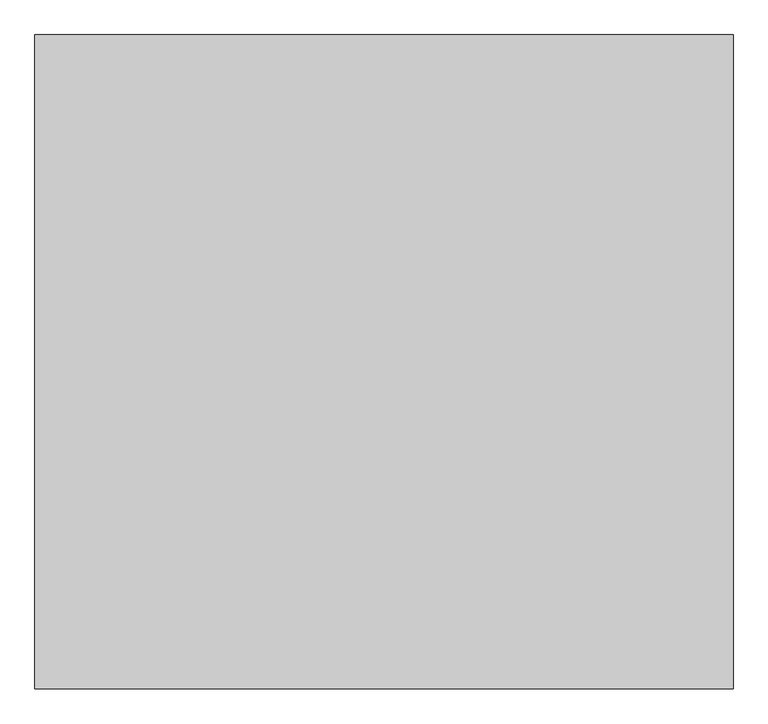
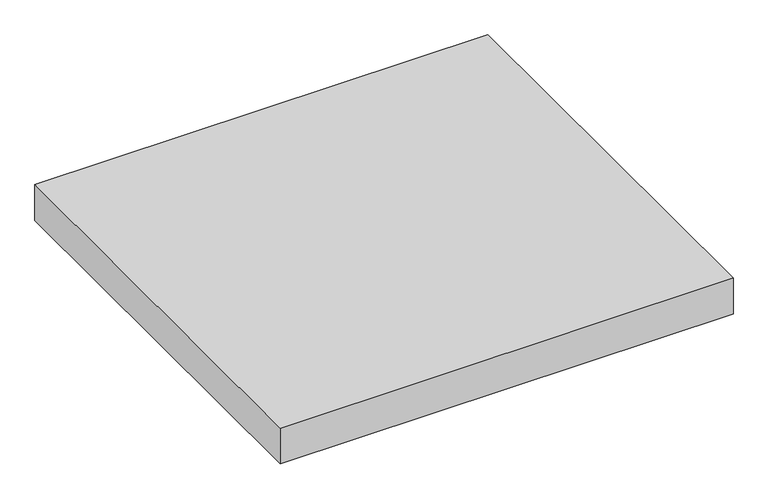
"""IFC4 building model written with IfcOpenShell, lengths in millimetres: geographic element geometry."""

import ifcopenshell
import ifcopenshell.guid

model = None  # the IFC model being written
_history = None  # IfcOwnerHistory: only IFC2X3 demands one
_inside = {}  # id of a spatial element -> (the spatial element, [elements in it])
_under = {}  # id of a project, library or spatial element -> (it, [spatial elements below it])
_declared = {}  # id of a project -> (the project, [libraries it declares])
_typed = {}  # id of a type object -> (the type object, [elements of that type])
_made_of = {}  # id of a material, layer set ... -> (it, [elements and type objects made of it])


def new_model(schema):
    """Start an empty IFC model of exactly this schema.

    Asked for "IFC4X3", IfcOpenShell would pick the latest addendum, in which some entities
    have other attributes; the version numbers below select the first issue.
    IFC2X3 requires an IfcOwnerHistory on every rooted entity: one is made here for all.
    """
    global model, _history
    if schema == "IFC4X3":
        model = ifcopenshell.file(schema_version=(4, 3, 0, 0))
    else:
        model = ifcopenshell.file(schema=schema)
    _inside.clear()
    _under.clear()
    _declared.clear()
    _typed.clear()
    _made_of.clear()
    _history = None
    if model.schema == "IFC2X3":
        org = make("IfcOrganization", Name="unknown")
        user = make(
            "IfcPersonAndOrganization",
            ThePerson=make("IfcPerson", FamilyName="unknown"),
            TheOrganization=org,
        )
        app = make(
            "IfcApplication",
            ApplicationDeveloper=org,
            Version="unknown",
            ApplicationFullName="unknown",
            ApplicationIdentifier="unknown",
        )
        _history = make(
            "IfcOwnerHistory",
            OwningUser=user,
            OwningApplication=app,
            ChangeAction="ADDED",
            CreationDate=0,
        )
    return model


def make(cls, **values):
    """One entity of the class cls with the attributes given. An attribute that is None is left unset."""
    return model.create_entity(
        cls, **{name: value for name, value in values.items() if value is not None}
    )


def rooted(cls, **values):
    """An entity with a GlobalId (a new one), such as an element, a storey or a relation."""
    return make(cls, GlobalId=ifcopenshell.guid.new(), OwnerHistory=_history, **values)


def si_unit(unit_type, name, prefix=None):
    """IfcSIUnit, for example si_unit("LENGTHUNIT", "METRE", prefix="MILLI")."""
    return make("IfcSIUnit", UnitType=unit_type, Prefix=prefix, Name=name)


def assignment(units):
    """IfcUnitAssignment: the units of a project."""
    return None if units is None else make("IfcUnitAssignment", Units=units)


def point(xyz):
    """IfcCartesianPoint."""
    return None if xyz is None else make("IfcCartesianPoint", Coordinates=xyz)


def direction(xyz):
    """IfcDirection."""
    return None if xyz is None else make("IfcDirection", DirectionRatios=xyz)


def frame(location, z_axis=None, x_axis=None):
    """IfcAxis2Placement3D, a coordinate frame: its origin and axes. An axis left out is left unset."""
    return make(
        "IfcAxis2Placement3D",
        Location=point(location),
        Axis=direction(z_axis),
        RefDirection=direction(x_axis),
    )


def origin():
    """The frame at (0, 0, 0) with its axes left unset."""
    return frame((0.0, 0.0, 0.0))


def origin_with_axes():
    """The frame at (0, 0, 0) with the z axis (0, 0, 1) and the x axis (1, 0, 0) written out."""
    return frame((0.0, 0.0, 0.0), z_axis=(0.0, 0.0, 1.0), x_axis=(1.0, 0.0, 0.0))


def place(relative_to, where):
    """IfcLocalPlacement: puts the frame where relative to a parent placement (None: the world)."""
    return make(
        "IfcLocalPlacement", PlacementRelTo=relative_to, RelativePlacement=where
    )


def context(
    kind, dimensions, precision=None, world=None, true_north=None, identifier=None
):
    """IfcGeometricRepresentationContext, for example the 3D "Model" context."""
    return make(
        "IfcGeometricRepresentationContext",
        ContextIdentifier=identifier,
        ContextType=kind,
        CoordinateSpaceDimension=dimensions,
        Precision=precision,
        WorldCoordinateSystem=world,
        TrueNorth=true_north,
    )


def project(units=None, contexts=None):
    """IfcProject with its units and contexts."""
    return rooted(
        "IfcProject",
        Name="project",
        RepresentationContexts=contexts,
        UnitsInContext=assignment(units),
    )


def spatial(cls, under=None, at=None, **own):
    """A site, building, storey or space (cls), placed at a placement, below another one or the project."""
    s = rooted(cls, ObjectPlacement=at, **own)
    if under is not None:
        _under.setdefault(under.id(), (under, []))[1].append(s)
    return s


def polyline(points):
    """IfcPolyline through the points."""
    return make("IfcPolyline", Points=[point(p) for p in points])


def outline(outer, holes=None, kind="AREA"):
    """IfcArbitraryClosedProfileDef: a profile drawn as a closed curve; with holes, ...WithVoids."""
    if holes is None:
        return make("IfcArbitraryClosedProfileDef", ProfileType=kind, OuterCurve=outer)
    return make(
        "IfcArbitraryProfileDefWithVoids",
        ProfileType=kind,
        OuterCurve=outer,
        InnerCurves=holes,
    )


def extrude(swept, where, along, depth):
    """IfcExtrudedAreaSolid: the profile swept, set in the frame where, extruded along a direction by depth."""
    return make(
        "IfcExtrudedAreaSolid",
        SweptArea=swept,
        Position=where,
        ExtrudedDirection=direction(along),
        Depth=depth,
    )


def shape(context_of_items, identifier, shape_type, items):
    """IfcShapeRepresentation: the items that make up one representation, for example the "Body"."""
    return make(
        "IfcShapeRepresentation",
        ContextOfItems=context_of_items,
        RepresentationIdentifier=identifier,
        RepresentationType=shape_type,
        Items=items,
    )


def source(mapping_origin, context_of_items, identifier, shape_type, items):
    """IfcRepresentationMap: a shape defined once, which mapped items show again and again."""
    return make(
        "IfcRepresentationMap",
        MappingOrigin=mapping_origin,
        MappedRepresentation=shape(context_of_items, identifier, shape_type, items),
    )


def transform(
    local_origin,
    x_axis=None,
    y_axis=None,
    z_axis=None,
    scale=None,
    scale2=None,
    scale3=None,
    uniform=True,
):
    """IfcCartesianTransformationOperator3D, or its non-uniform kind. x_axis, y_axis, z_axis: its Axis1, 2, 3."""
    if uniform:
        return make(
            "IfcCartesianTransformationOperator3D",
            Axis1=direction(x_axis),
            Axis2=direction(y_axis),
            LocalOrigin=point(local_origin),
            Scale=scale,
            Axis3=direction(z_axis),
        )
    return make(
        "IfcCartesianTransformationOperator3DnonUniform",
        Axis1=direction(x_axis),
        Axis2=direction(y_axis),
        LocalOrigin=point(local_origin),
        Scale=scale,
        Axis3=direction(z_axis),
        Scale2=scale2,
        Scale3=scale3,
    )


def mapped(mapping_source, mapping_target):
    """IfcMappedItem: shows the shape of a source again, moved by a transform."""
    return make(
        "IfcMappedItem", MappingSource=mapping_source, MappingTarget=mapping_target
    )


def made_of(thing, what):
    """Note that an element or type object is made of a material, layer set ...; save() writes the relation."""
    if what is not None:
        _made_of.setdefault(what.id(), (what, []))[1].append(thing)
    return thing


def element(
    cls,
    number,
    at=None,
    inside=None,
    cuts=None,
    type_object=None,
    material=None,
    context=None,
    identifier="Body",
    shape_type=None,
    held_by="IfcProductDefinitionShape",
    body=None,
    shapes=None,
    **own,
):
    """One element of the class cls, such as IfcWall. Its Tag is "e" and its number.

    at: its placement. inside: the storey or other place that contains it. cuts: it is an
    opening in that element (IfcRelVoidsElement). A single representation is given by context,
    identifier, shape_type and body (its items); several are given by shapes. held_by: the class
    of the entity that holds the representations. save() writes the other relations.
    """
    e = rooted(cls, Tag="e%d" % number, ObjectPlacement=at, **own)
    if body is not None:
        shapes = [shape(context, identifier, shape_type, body)]
    if shapes is not None:
        e.Representation = make(held_by, Representations=shapes)
    if inside is not None:
        _inside.setdefault(inside.id(), (inside, []))[1].append(e)
    if cuts is not None:
        rooted(
            "IfcRelVoidsElement", RelatingBuildingElement=cuts, RelatedOpeningElement=e
        )
    if type_object is not None:
        _typed.setdefault(type_object.id(), (type_object, []))[1].append(e)
    return made_of(e, material)


def aggregate(whole, parts):
    """IfcRelAggregates: a whole, such as a stair, and the parts it consists of."""
    return rooted("IfcRelAggregates", RelatingObject=whole, RelatedObjects=parts)


def save(model, path):
    """Write the relations noted so far, then the file.

    IfcRelAggregates (storeys below a building ...), IfcRelContainedInSpatialStructure (elements
    in a storey), IfcRelDefinesByType, IfcRelAssociatesMaterial and IfcRelDeclares: one each for
    every whole, place, type object, material and project.
    """
    for whole, parts in _under.values():
        aggregate(whole, parts)
    for where, things in _inside.values():
        rooted(
            "IfcRelContainedInSpatialStructure",
            RelatedElements=things,
            RelatingStructure=where,
        )
    for kind, things in _typed.values():
        rooted("IfcRelDefinesByType", RelatedObjects=things, RelatingType=kind)
    for what, things in _made_of.values():
        rooted("IfcRelAssociatesMaterial", RelatedObjects=things, RelatingMaterial=what)
    for by, libraries in _declared.values():
        rooted("IfcRelDeclares", RelatingContext=by, RelatedDefinitions=libraries)
    model.write(path)


def geographic_element_76014547(model_context):
    return source(origin(), model_context, "Body", "SweptSolid", [
        extrude(outline(polyline([(248279.9858161, 300750.4017671), (248279.9858161, 255750.4017671), (200279.9858161, 255750.4017671), (200279.9858161, 300750.4017671), (248279.9858161, 300750.4017671)])), origin_with_axes(), (0.0, 0.0, 1.0), 4000.0),
    ])


if __name__ == "__main__":
    model = new_model("IFC4")
    model_context = context("Model", 3, world=origin())
    ifc_project = project(units=[si_unit("LENGTHUNIT", "METRE", prefix="MILLI")], contexts=[model_context])
    site = spatial("IfcSite", under=ifc_project)
    building = spatial("IfcBuilding", under=site)
    placement = place(None, origin())
    geographic_element_shape = geographic_element_76014547(model_context)
    element("IfcGeographicElement", 1, at=placement, inside=building, context=model_context, shape_type="MappedRepresentation", body=[
        mapped(geographic_element_shape, transform((0.0, 0.0, 0.0), x_axis=(1.0, 0.0, 0.0), y_axis=(0.0, 1.0, 0.0), z_axis=(0.0, 0.0, 1.0))),
    ])
    save(model, "model.ifc")
